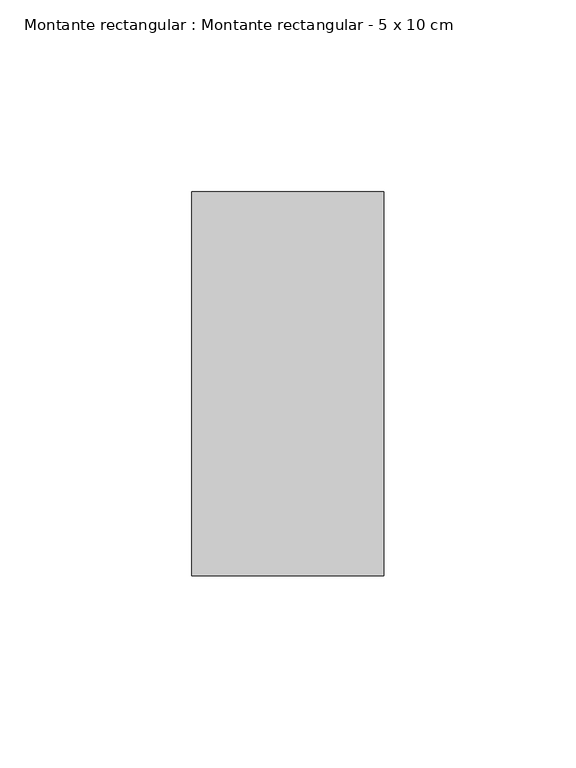
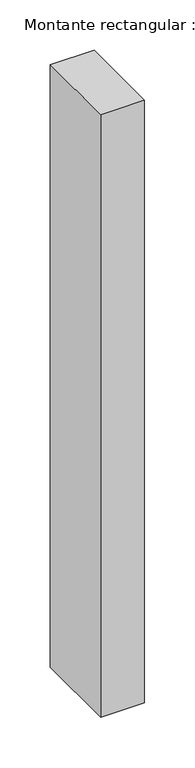
"""IFC4 building model written with IfcOpenShell, lengths in millimetres: member geometry, Montante rectangular : Montante rectangular - 5 x 10 cm."""

from ifc_helpers import new_model, si_unit, frame, origin, place, context, project, spatial, polyline, outline, extrude, source, transform, mapped, element, save


def montante_rectangular_montante_rectangular_5_x_10_cm_265fa5be(model_context):
    return source(origin(), model_context, "Body", "SweptSolid", [
        extrude(outline(polyline([(0.0, 50.0), (0.0, -50.0), (-50.0, -50.0), (-50.0, 50.0), (0.0, 50.0)])), frame((0.0, 0.0, -730.0), z_axis=(0.0, 0.0, 1.0), x_axis=(1.0, 0.0, 0.0)), (0.0, 0.0, 1.0), 730.0),
    ])


if __name__ == "__main__":
    model = new_model("IFC4")
    model_context = context("Model", 3, world=origin())
    ifc_project = project(units=[si_unit("LENGTHUNIT", "METRE", prefix="MILLI")], contexts=[model_context])
    site = spatial("IfcSite", under=ifc_project)
    building = spatial("IfcBuilding", under=site)
    placement = place(None, origin())
    montante_rectangular_montante_rectangular_5_x_10_cm_shape = montante_rectangular_montante_rectangular_5_x_10_cm_265fa5be(model_context)
    element("IfcMember", 1, ObjectType="Montante rectangular : Montante rectangular - 5 x 10 cm", at=placement, inside=building, context=model_context, shape_type="MappedRepresentation", body=[
        mapped(montante_rectangular_montante_rectangular_5_x_10_cm_shape, transform((0.0, 0.0, 0.0), x_axis=(1.0, 0.0, 0.0), y_axis=(0.0, 1.0, 0.0), z_axis=(0.0, 0.0, 1.0))),
    ])
    save(model, "model.ifc")
